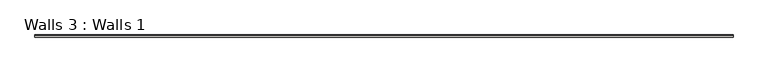
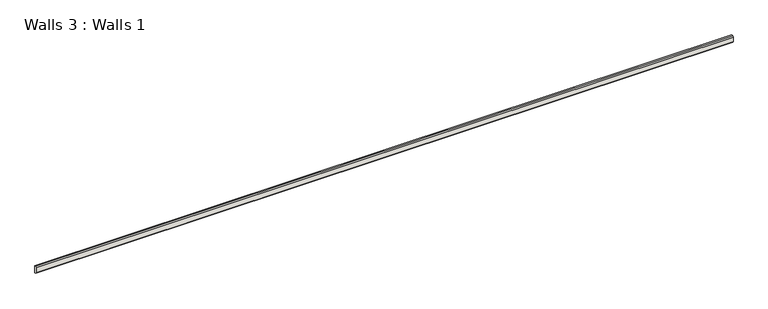
"""IFC4 building model written with IfcOpenShell, lengths in millimetres: wall geometry, Walls 3 : Walls 1."""

from ifc_helpers import new_model, si_unit, frame, origin, place, context, project, spatial, polyline, outline, extrude, source, transform, mapped, element, save


def walls_3_walls_1_591d9421(model_context):
    return source(origin(), model_context, "Body", "SweptSolid", [
        extrude(outline(polyline([(3808.2026522, 388.4360524), (3808.2026522, 364.7673289), (3804.6525515, 364.7673289), (3801.3019212, 368.1179592), (3801.3019212, 385.0854221), (3804.6525515, 388.4360524), (3808.2026522, 388.4360524)])), frame((-859.3497911, 0.0, 0.0), z_axis=(1.0, 0.0, 0.0), x_axis=(0.0, 1.0, 0.0)), (0.0, 0.0, 1.0), 2286.0),
    ])


if __name__ == "__main__":
    model = new_model("IFC4")
    model_context = context("Model", 3, world=origin())
    ifc_project = project(units=[si_unit("LENGTHUNIT", "METRE", prefix="MILLI")], contexts=[model_context])
    site = spatial("IfcSite", under=ifc_project)
    building = spatial("IfcBuilding", under=site)
    placement = place(None, origin())
    walls_3_walls_1_shape = walls_3_walls_1_591d9421(model_context)
    element("IfcWall", 1, ObjectType="Walls 3 : Walls 1", at=placement, inside=building, context=model_context, shape_type="MappedRepresentation", body=[
        mapped(walls_3_walls_1_shape, transform((0.0, 0.0, 0.0), x_axis=(1.0, 0.0, 0.0), y_axis=(0.0, 1.0, 0.0), z_axis=(0.0, 0.0, 1.0))),
    ])
    save(model, "model.ifc")
